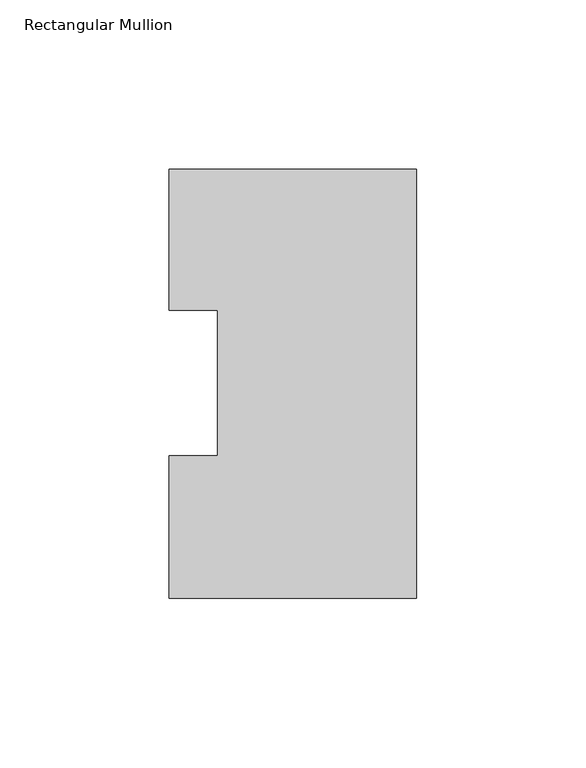
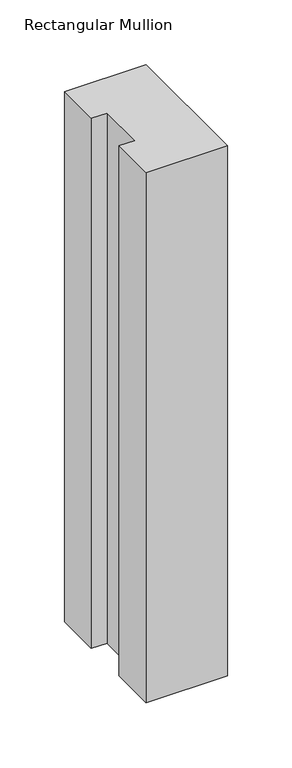
"""IFC4 building model written with IfcOpenShell, lengths in millimetres: member geometry, Rectangular Mullion."""

from ifc_helpers import new_model, si_unit, frame, origin, place, context, project, spatial, polyline, outline, extrude, source, transform, mapped, element, save


def rectangular_mullion_0b9bc64f(model_context):
    return source(origin(), model_context, "Body", "SweptSolid", [
        extrude(outline(polyline([(0.0, 126.7348875), (0.0, 0.2428875), (-73.025, 0.2428875), (-73.025, 42.2798875), (-58.7375, 42.2798875), (-58.7375, 85.1296875), (-73.025, 85.1296875), (-73.025, 126.7348875), (0.0, 126.7348875)])), frame((0.0, 0.0, -501.65), z_axis=(0.0, 0.0, 1.0), x_axis=(1.0, 0.0, 0.0)), (0.0, 0.0, 1.0), 501.65),
    ])


if __name__ == "__main__":
    model = new_model("IFC4")
    model_context = context("Model", 3, world=origin())
    ifc_project = project(units=[si_unit("LENGTHUNIT", "METRE", prefix="MILLI")], contexts=[model_context])
    site = spatial("IfcSite", under=ifc_project)
    building = spatial("IfcBuilding", under=site)
    placement = place(None, origin())
    rectangular_mullion_shape = rectangular_mullion_0b9bc64f(model_context)
    element("IfcMember", 1, ObjectType="Rectangular Mullion", at=placement, inside=building, context=model_context, shape_type="MappedRepresentation", body=[
        mapped(rectangular_mullion_shape, transform((0.0, 0.0, 0.0), x_axis=(1.0, 0.0, 0.0), y_axis=(0.0, 1.0, 0.0), z_axis=(0.0, 0.0, 1.0))),
    ])
    save(model, "model.ifc")
